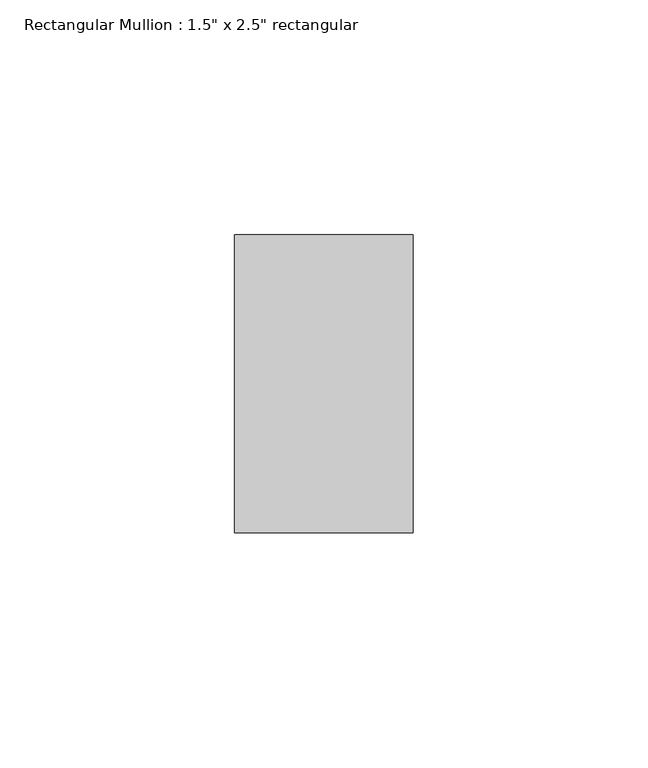
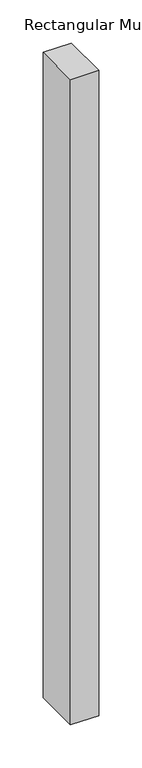
"""IFC4 building model written with IfcOpenShell, lengths in millimetres: member geometry."""

from ifc_helpers import new_model, si_unit, frame, origin, place, context, project, spatial, polyline, outline, extrude, source, transform, mapped, element, save


def member_1ac5ee0f(model_context):
    return source(origin(), model_context, "Body", "SweptSolid", [
        extrude(outline(polyline([(0.0, 31.75), (0.0, -31.75), (-38.1, -31.75), (-38.1, 31.75), (0.0, 31.75)])), frame((0.0, 0.0, -914.4000003), z_axis=(0.0, 0.0, 1.0), x_axis=(1.0, 0.0, 0.0)), (0.0, 0.0, 1.0), 914.4000003),
    ])


if __name__ == "__main__":
    model = new_model("IFC4")
    model_context = context("Model", 3, world=origin())
    ifc_project = project(units=[si_unit("LENGTHUNIT", "METRE", prefix="MILLI")], contexts=[model_context])
    site = spatial("IfcSite", under=ifc_project)
    building = spatial("IfcBuilding", under=site)
    placement = place(None, origin())
    member_shape = member_1ac5ee0f(model_context)
    element("IfcMember", 1, ObjectType="Rectangular Mullion : 1.5\" x 2.5\" rectangular", at=placement, inside=building, context=model_context, shape_type="MappedRepresentation", body=[
        mapped(member_shape, transform((0.0, 0.0, 0.0), x_axis=(1.0, 0.0, 0.0), y_axis=(0.0, 1.0, 0.0), z_axis=(0.0, 0.0, 1.0))),
    ])
    save(model, "model.ifc")
